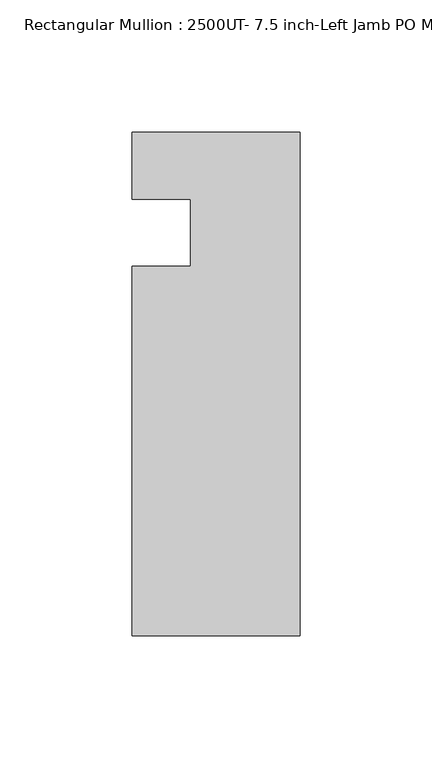
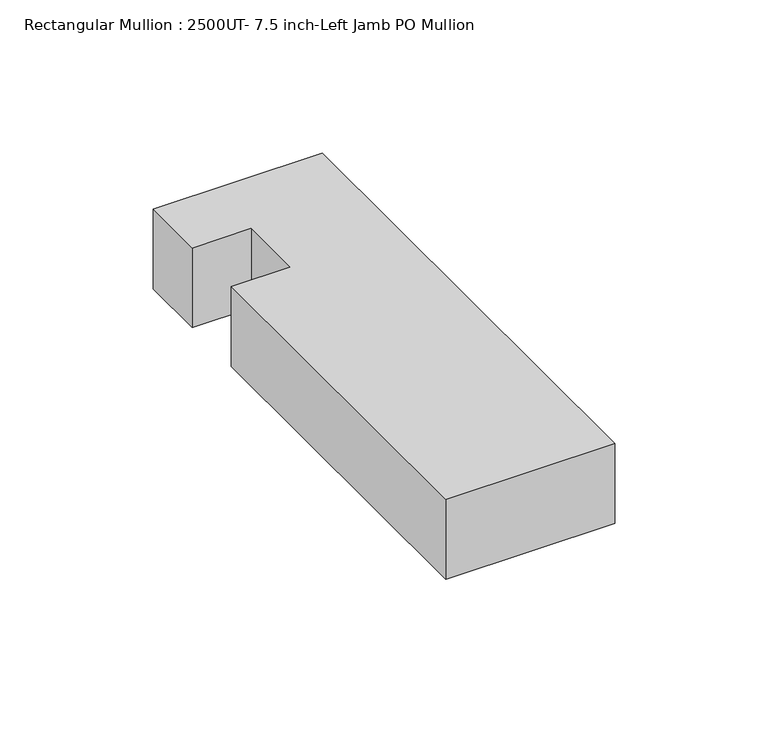
"""IFC4 building model written with IfcOpenShell, lengths in millimetres: member geometry, Rectangular Mullion : 2500UT- 7.5 inch-Left Jamb PO Mullion."""

import ifcopenshell
import ifcopenshell.guid

model = None  # the IFC model being written
_history = None  # IfcOwnerHistory: only IFC2X3 demands one
_inside = {}  # id of a spatial element -> (the spatial element, [elements in it])
_under = {}  # id of a project, library or spatial element -> (it, [spatial elements below it])
_declared = {}  # id of a project -> (the project, [libraries it declares])
_typed = {}  # id of a type object -> (the type object, [elements of that type])
_made_of = {}  # id of a material, layer set ... -> (it, [elements and type objects made of it])


def new_model(schema):
    """Start an empty IFC model of exactly this schema.

    Asked for "IFC4X3", IfcOpenShell would pick the latest addendum, in which some entities
    have other attributes; the version numbers below select the first issue.
    IFC2X3 requires an IfcOwnerHistory on every rooted entity: one is made here for all.
    """
    global model, _history
    if schema == "IFC4X3":
        model = ifcopenshell.file(schema_version=(4, 3, 0, 0))
    else:
        model = ifcopenshell.file(schema=schema)
    _inside.clear()
    _under.clear()
    _declared.clear()
    _typed.clear()
    _made_of.clear()
    _history = None
    if model.schema == "IFC2X3":
        org = make("IfcOrganization", Name="unknown")
        user = make(
            "IfcPersonAndOrganization",
            ThePerson=make("IfcPerson", FamilyName="unknown"),
            TheOrganization=org,
        )
        app = make(
            "IfcApplication",
            ApplicationDeveloper=org,
            Version="unknown",
            ApplicationFullName="unknown",
            ApplicationIdentifier="unknown",
        )
        _history = make(
            "IfcOwnerHistory",
            OwningUser=user,
            OwningApplication=app,
            ChangeAction="ADDED",
            CreationDate=0,
        )
    return model


def make(cls, **values):
    """One entity of the class cls with the attributes given. An attribute that is None is left unset."""
    return model.create_entity(
        cls, **{name: value for name, value in values.items() if value is not None}
    )


def rooted(cls, **values):
    """An entity with a GlobalId (a new one), such as an element, a storey or a relation."""
    return make(cls, GlobalId=ifcopenshell.guid.new(), OwnerHistory=_history, **values)


def si_unit(unit_type, name, prefix=None):
    """IfcSIUnit, for example si_unit("LENGTHUNIT", "METRE", prefix="MILLI")."""
    return make("IfcSIUnit", UnitType=unit_type, Prefix=prefix, Name=name)


def assignment(units):
    """IfcUnitAssignment: the units of a project."""
    return None if units is None else make("IfcUnitAssignment", Units=units)


def point(xyz):
    """IfcCartesianPoint."""
    return None if xyz is None else make("IfcCartesianPoint", Coordinates=xyz)


def direction(xyz):
    """IfcDirection."""
    return None if xyz is None else make("IfcDirection", DirectionRatios=xyz)


def frame(location, z_axis=None, x_axis=None):
    """IfcAxis2Placement3D, a coordinate frame: its origin and axes. An axis left out is left unset."""
    return make(
        "IfcAxis2Placement3D",
        Location=point(location),
        Axis=direction(z_axis),
        RefDirection=direction(x_axis),
    )


def origin():
    """The frame at (0, 0, 0) with its axes left unset."""
    return frame((0.0, 0.0, 0.0))


def place(relative_to, where):
    """IfcLocalPlacement: puts the frame where relative to a parent placement (None: the world)."""
    return make(
        "IfcLocalPlacement", PlacementRelTo=relative_to, RelativePlacement=where
    )


def context(
    kind, dimensions, precision=None, world=None, true_north=None, identifier=None
):
    """IfcGeometricRepresentationContext, for example the 3D "Model" context."""
    return make(
        "IfcGeometricRepresentationContext",
        ContextIdentifier=identifier,
        ContextType=kind,
        CoordinateSpaceDimension=dimensions,
        Precision=precision,
        WorldCoordinateSystem=world,
        TrueNorth=true_north,
    )


def project(units=None, contexts=None):
    """IfcProject with its units and contexts."""
    return rooted(
        "IfcProject",
        Name="project",
        RepresentationContexts=contexts,
        UnitsInContext=assignment(units),
    )


def spatial(cls, under=None, at=None, **own):
    """A site, building, storey or space (cls), placed at a placement, below another one or the project."""
    s = rooted(cls, ObjectPlacement=at, **own)
    if under is not None:
        _under.setdefault(under.id(), (under, []))[1].append(s)
    return s


def polyline(points):
    """IfcPolyline through the points."""
    return make("IfcPolyline", Points=[point(p) for p in points])


def outline(outer, holes=None, kind="AREA"):
    """IfcArbitraryClosedProfileDef: a profile drawn as a closed curve; with holes, ...WithVoids."""
    if holes is None:
        return make("IfcArbitraryClosedProfileDef", ProfileType=kind, OuterCurve=outer)
    return make(
        "IfcArbitraryProfileDefWithVoids",
        ProfileType=kind,
        OuterCurve=outer,
        InnerCurves=holes,
    )


def extrude(swept, where, along, depth):
    """IfcExtrudedAreaSolid: the profile swept, set in the frame where, extruded along a direction by depth."""
    return make(
        "IfcExtrudedAreaSolid",
        SweptArea=swept,
        Position=where,
        ExtrudedDirection=direction(along),
        Depth=depth,
    )


def shape(context_of_items, identifier, shape_type, items):
    """IfcShapeRepresentation: the items that make up one representation, for example the "Body"."""
    return make(
        "IfcShapeRepresentation",
        ContextOfItems=context_of_items,
        RepresentationIdentifier=identifier,
        RepresentationType=shape_type,
        Items=items,
    )


def source(mapping_origin, context_of_items, identifier, shape_type, items):
    """IfcRepresentationMap: a shape defined once, which mapped items show again and again."""
    return make(
        "IfcRepresentationMap",
        MappingOrigin=mapping_origin,
        MappedRepresentation=shape(context_of_items, identifier, shape_type, items),
    )


def transform(
    local_origin,
    x_axis=None,
    y_axis=None,
    z_axis=None,
    scale=None,
    scale2=None,
    scale3=None,
    uniform=True,
):
    """IfcCartesianTransformationOperator3D, or its non-uniform kind. x_axis, y_axis, z_axis: its Axis1, 2, 3."""
    if uniform:
        return make(
            "IfcCartesianTransformationOperator3D",
            Axis1=direction(x_axis),
            Axis2=direction(y_axis),
            LocalOrigin=point(local_origin),
            Scale=scale,
            Axis3=direction(z_axis),
        )
    return make(
        "IfcCartesianTransformationOperator3DnonUniform",
        Axis1=direction(x_axis),
        Axis2=direction(y_axis),
        LocalOrigin=point(local_origin),
        Scale=scale,
        Axis3=direction(z_axis),
        Scale2=scale2,
        Scale3=scale3,
    )


def mapped(mapping_source, mapping_target):
    """IfcMappedItem: shows the shape of a source again, moved by a transform."""
    return make(
        "IfcMappedItem", MappingSource=mapping_source, MappingTarget=mapping_target
    )


def made_of(thing, what):
    """Note that an element or type object is made of a material, layer set ...; save() writes the relation."""
    if what is not None:
        _made_of.setdefault(what.id(), (what, []))[1].append(thing)
    return thing


def element(
    cls,
    number,
    at=None,
    inside=None,
    cuts=None,
    type_object=None,
    material=None,
    context=None,
    identifier="Body",
    shape_type=None,
    held_by="IfcProductDefinitionShape",
    body=None,
    shapes=None,
    **own,
):
    """One element of the class cls, such as IfcWall. Its Tag is "e" and its number.

    at: its placement. inside: the storey or other place that contains it. cuts: it is an
    opening in that element (IfcRelVoidsElement). A single representation is given by context,
    identifier, shape_type and body (its items); several are given by shapes. held_by: the class
    of the entity that holds the representations. save() writes the other relations.
    """
    e = rooted(cls, Tag="e%d" % number, ObjectPlacement=at, **own)
    if body is not None:
        shapes = [shape(context, identifier, shape_type, body)]
    if shapes is not None:
        e.Representation = make(held_by, Representations=shapes)
    if inside is not None:
        _inside.setdefault(inside.id(), (inside, []))[1].append(e)
    if cuts is not None:
        rooted(
            "IfcRelVoidsElement", RelatingBuildingElement=cuts, RelatedOpeningElement=e
        )
    if type_object is not None:
        _typed.setdefault(type_object.id(), (type_object, []))[1].append(e)
    return made_of(e, material)


def aggregate(whole, parts):
    """IfcRelAggregates: a whole, such as a stair, and the parts it consists of."""
    return rooted("IfcRelAggregates", RelatingObject=whole, RelatedObjects=parts)


def save(model, path):
    """Write the relations noted so far, then the file.

    IfcRelAggregates (storeys below a building ...), IfcRelContainedInSpatialStructure (elements
    in a storey), IfcRelDefinesByType, IfcRelAssociatesMaterial and IfcRelDeclares: one each for
    every whole, place, type object, material and project.
    """
    for whole, parts in _under.values():
        aggregate(whole, parts)
    for where, things in _inside.values():
        rooted(
            "IfcRelContainedInSpatialStructure",
            RelatedElements=things,
            RelatingStructure=where,
        )
    for kind, things in _typed.values():
        rooted("IfcRelDefinesByType", RelatedObjects=things, RelatingType=kind)
    for what, things in _made_of.values():
        rooted("IfcRelAssociatesMaterial", RelatedObjects=things, RelatingMaterial=what)
    for by, libraries in _declared.values():
        rooted("IfcRelDeclares", RelatingContext=by, RelatedDefinitions=libraries)
    model.write(path)


def rectangular_mullion_2500ut_7_5_inch_left_jamb_po_mullion_4421feb6(model_context):
    return source(origin(), model_context, "Body", "SweptSolid", [
        extrude(outline(polyline([(32.2226911, 38.1), (32.2226911, -152.399995), (-31.2773089, -152.399995), (-31.2773089, -12.7), (-9.0523089, -12.7), (-9.0523089, 12.7309282), (-31.2773089, 12.7309282), (-31.2773089, 38.1), (32.2226911, 38.1)])), frame((0.0, 0.0, -31.75), z_axis=(0.0, 0.0, 1.0), x_axis=(1.0, 0.0, 0.0)), (0.0, 0.0, 1.0), 31.75),
    ])


if __name__ == "__main__":
    model = new_model("IFC4")
    model_context = context("Model", 3, world=origin())
    ifc_project = project(units=[si_unit("LENGTHUNIT", "METRE", prefix="MILLI")], contexts=[model_context])
    site = spatial("IfcSite", under=ifc_project)
    building = spatial("IfcBuilding", under=site)
    placement = place(None, origin())
    rectangular_mullion_2500ut_7_5_inch_left_jamb_po_mullion_shape = rectangular_mullion_2500ut_7_5_inch_left_jamb_po_mullion_4421feb6(model_context)
    element("IfcMember", 1, ObjectType="Rectangular Mullion : 2500UT- 7.5 inch-Left Jamb PO Mullion", at=placement, inside=building, context=model_context, shape_type="MappedRepresentation", body=[
        mapped(rectangular_mullion_2500ut_7_5_inch_left_jamb_po_mullion_shape, transform((0.0, 0.0, 0.0), x_axis=(1.0, 0.0, 0.0), y_axis=(0.0, 1.0, 0.0), z_axis=(0.0, 0.0, 1.0))),
    ])
    save(model, "model.ifc")
